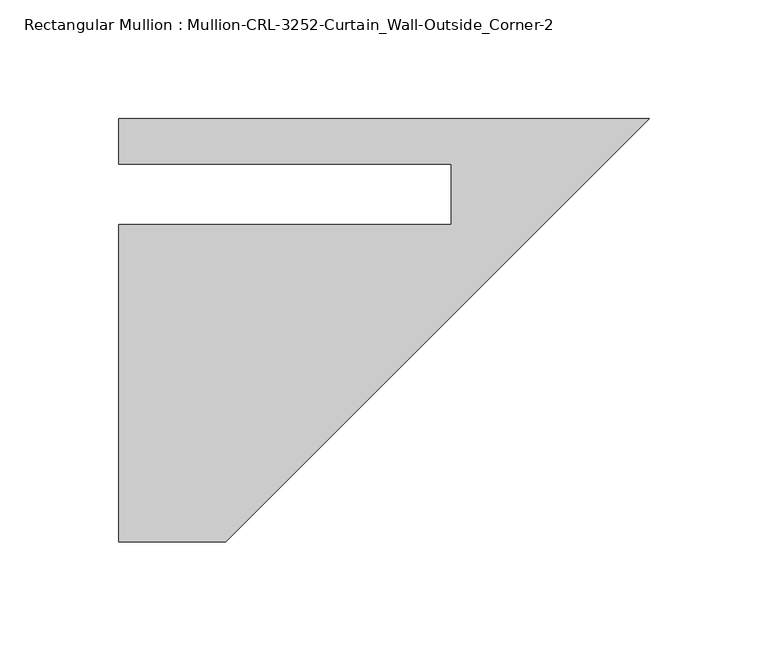
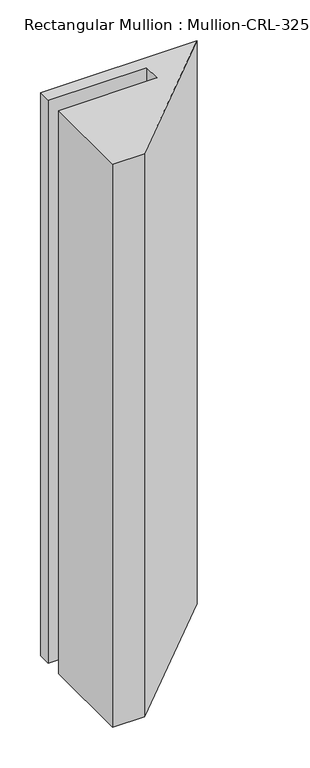
"""IFC4 building model written with IfcOpenShell, lengths in millimetres: member geometry, Rectangular Mullion : Mullion-CRL-3252-Curtain_Wall-Outside_Corner-2."""

from ifc_helpers import new_model, si_unit, frame, origin, place, context, project, spatial, polyline, outline, extrude, source, transform, mapped, element, save


def rectangular_mullion_mullion_crl_3252_curtain_wall_outside_fefd0188(model_context):
    return source(origin(), model_context, "Body", "SweptSolid", [
        extrude(outline(polyline([(0.0, 31.794609), (-177.8, -146.005391), (-222.7460938, -146.005391), (-222.7460938, -12.7), (-83.0677478, -12.7), (-83.0677478, 12.7), (-222.7460938, 12.7), (-222.7460938, 31.794609), (0.0, 31.794609)])), frame((0.0, 0.0, -845.8398437), z_axis=(0.0, 0.0, 1.0), x_axis=(1.0, 0.0, 0.0)), (0.0, 0.0, 1.0), 845.8398437),
    ])


if __name__ == "__main__":
    model = new_model("IFC4")
    model_context = context("Model", 3, world=origin())
    ifc_project = project(units=[si_unit("LENGTHUNIT", "METRE", prefix="MILLI")], contexts=[model_context])
    site = spatial("IfcSite", under=ifc_project)
    building = spatial("IfcBuilding", under=site)
    placement = place(None, origin())
    rectangular_mullion_mullion_crl_3252_curtain_wall_outside_shape = rectangular_mullion_mullion_crl_3252_curtain_wall_outside_fefd0188(model_context)
    element("IfcMember", 1, ObjectType="Rectangular Mullion : Mullion-CRL-3252-Curtain_Wall-Outside_Corner-2", at=placement, inside=building, context=model_context, shape_type="MappedRepresentation", body=[
        mapped(rectangular_mullion_mullion_crl_3252_curtain_wall_outside_shape, transform((0.0, 0.0, 0.0), x_axis=(1.0, 0.0, 0.0), y_axis=(0.0, 1.0, 0.0), z_axis=(0.0, 0.0, 1.0))),
    ])
    save(model, "model.ifc")
